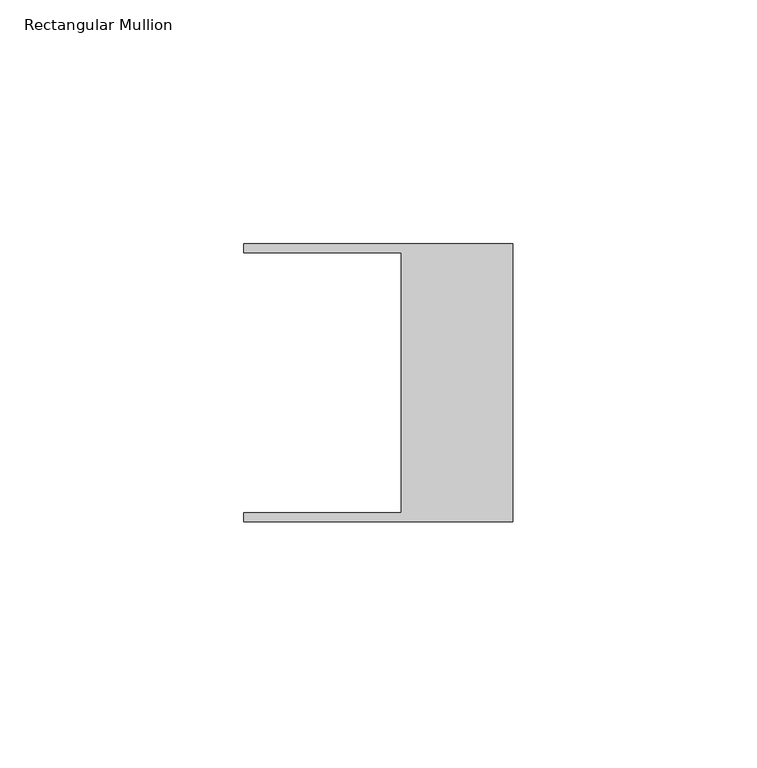
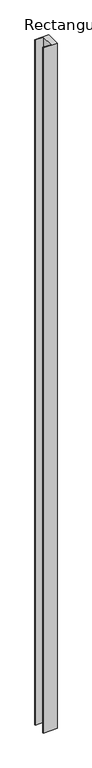
"""IFC4 building model written with IfcOpenShell, lengths in millimetres: member geometry, Rectangular Mullion."""

from ifc_helpers import new_model, si_unit, frame, origin, place, context, project, spatial, polyline, outline, extrude, source, transform, mapped, element, save


def rectangular_mullion_bfaa0b03(model_context):
    return source(origin(), model_context, "Body", "SweptSolid", [
        extrude(outline(polyline([(-55.118, -26.67), (-22.86, -26.67), (-22.86, 26.67), (-55.118, 26.67), (-55.118, 28.448), (0.0, 28.448), (0.0, -28.448), (-55.118, -28.448), (-55.118, -26.67)])), frame((0.0, 0.0, -2877.5659139), z_axis=(0.0, 0.0, 1.0), x_axis=(1.0, 0.0, 0.0)), (0.0, 0.0, 1.0), 2877.5659139),
    ])


if __name__ == "__main__":
    model = new_model("IFC4")
    model_context = context("Model", 3, world=origin())
    ifc_project = project(units=[si_unit("LENGTHUNIT", "METRE", prefix="MILLI")], contexts=[model_context])
    site = spatial("IfcSite", under=ifc_project)
    building = spatial("IfcBuilding", under=site)
    placement = place(None, origin())
    rectangular_mullion_shape = rectangular_mullion_bfaa0b03(model_context)
    element("IfcMember", 1, ObjectType="Rectangular Mullion", at=placement, inside=building, context=model_context, shape_type="MappedRepresentation", body=[
        mapped(rectangular_mullion_shape, transform((0.0, 0.0, 0.0), x_axis=(1.0, 0.0, 0.0), y_axis=(0.0, 1.0, 0.0), z_axis=(0.0, 0.0, 1.0))),
    ])
    save(model, "model.ifc")
